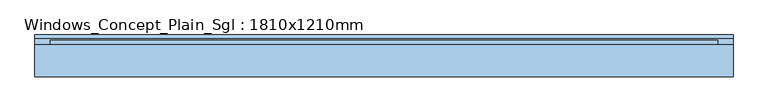
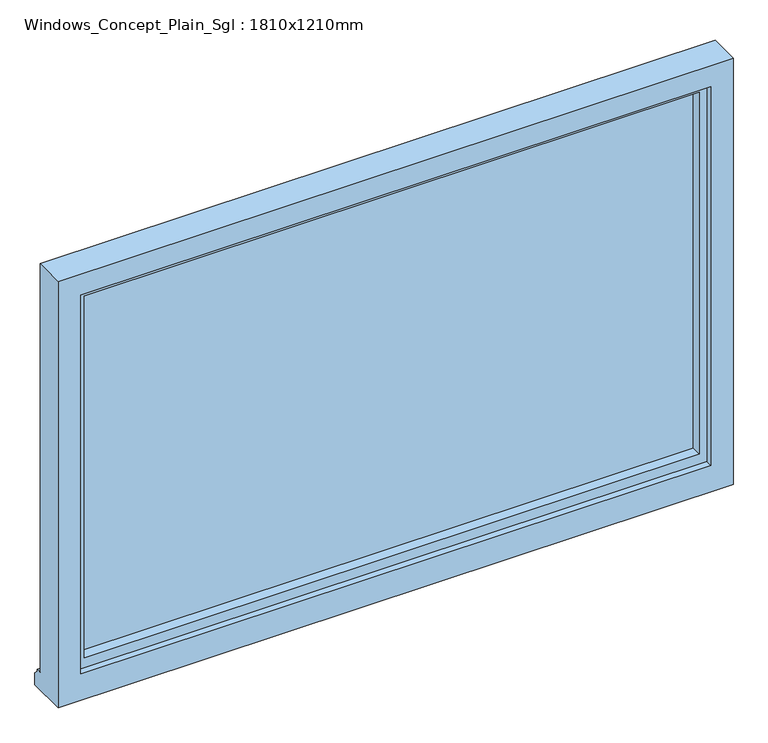
"""IFC4 building model written with IfcOpenShell, lengths in millimetres: window geometry, Windows_Concept_Plain_Sgl : 1810x1210mm."""

from ifc_helpers import new_model, si_unit, frame, origin, place, context, project, spatial, polyline, outline, extrude, faceted_brep, source, transform, mapped, element, save


def windows_concept_plain_sgl_1810x1210mm_8f15967d(model_context):
    return source(origin(), model_context, "Body", "SolidModel", [
        faceted_brep([(-905.0, 87.9565678, 900.0), (905.0, 87.9565678, 900.0), (905.0, 87.9565678, 2110.0), (-905.0, 87.9565678, 2110.0), (-845.0, 87.9565678, 2050.0), (845.0, 87.9565678, 2050.0), (845.0, 87.9565678, 975.0), (-845.0, 87.9565678, 975.0), (-905.0, 170.9565678, 2110.0), (-905.0, 170.9565678, 951.0), (-905.0, 185.9565678, 949.68767), (-905.0, 185.9565678, 944.7449676), (-905.0, 195.9565678, 933.8088847), (-905.0, 195.9565678, 900.0), (905.0, 170.9565678, 2110.0), (905.0, 170.9565678, 951.0), (-865.0, 170.9565678, 2070.0), (-865.0, 170.9565678, 963.0), (865.0, 170.9565678, 963.0), (865.0, 170.9565678, 2070.0), (-865.0, 105.9565678, 2070.0), (-865.0, 105.9565678, 963.0), (865.0, 105.9565678, 2070.0), (865.0, 105.9565678, 963.0), (-845.0, 105.9565678, 2050.0), (-845.0, 105.9565678, 975.0), (845.0, 105.9565678, 975.0), (845.0, 105.9565678, 2050.0), (905.0, 195.9565678, 900.0), (905.0, 195.9565678, 933.8088847), (905.0, 185.9565678, 944.7449676), (905.0, 185.9565678, 949.68767)], [[[0, 1, 2, 3], [4, 5, 6, 7]], [[0, 3, 8, 9, 10, 11, 12, 13]], [[9, 8, 14, 15], [16, 17, 18, 19]], [[17, 16, 20, 21]], [[20, 22, 23, 21], [24, 25, 26, 27]], [[24, 4, 7, 25]], [[3, 2, 14, 8]], [[16, 19, 22, 20]], [[5, 4, 24, 27]], [[15, 14, 2, 1, 28, 29, 30, 31]], [[19, 18, 23, 22]], [[5, 27, 26, 6]], [[28, 1, 0, 13]], [[29, 28, 13, 12]], [[30, 29, 12, 11]], [[31, 30, 11, 10]], [[15, 31, 10, 9]], [[21, 23, 18, 17]], [[7, 6, 26, 25]]]),
        extrude(outline(polyline([(835.0, 134.9565678), (-835.0, 134.9565678), (-835.0, 158.9565678), (835.0, 158.9565678), (835.0, 134.9565678)])), frame((0.0, 0.0, 993.0), z_axis=(0.0, 0.0, 1.0), x_axis=(1.0, 0.0, 0.0)), (0.0, 0.0, 1.0), 1047.0),
        faceted_brep([(-865.0, 105.9565678, 2070.0), (-865.0, 182.5035732, 2070.0), (-865.0, 182.5035732, 963.0), (-865.0, 105.9565678, 963.0), (-825.0, 134.9565678, 2030.0), (-825.0, 105.9565678, 2030.0), (-825.0, 105.9565678, 1003.0), (-825.0, 134.9565678, 1003.0), (-835.0, 158.9565678, 2040.0), (-835.0, 134.9565678, 2040.0), (-835.0, 134.9565678, 993.0), (-835.0, 158.9565678, 993.0), (-825.0, 182.5035732, 2030.0), (-825.0, 158.9565678, 2030.0), (-825.0, 158.9565678, 1003.0), (-825.0, 182.5035732, 1003.0), (865.0, 182.5035732, 963.0), (865.0, 105.9565678, 963.0), (825.0, 105.9565678, 1003.0), (825.0, 134.9565678, 1003.0), (835.0, 134.9565678, 993.0), (835.0, 158.9565678, 993.0), (825.0, 158.9565678, 1003.0), (825.0, 182.5035732, 1003.0), (865.0, 182.5035732, 2070.0), (865.0, 105.9565678, 2070.0), (825.0, 105.9565678, 2030.0), (825.0, 134.9565678, 2030.0), (835.0, 134.9565678, 2040.0), (835.0, 158.9565678, 2040.0), (825.0, 158.9565678, 2030.0), (825.0, 182.5035732, 2030.0)], [[[0, 1, 2, 3]], [[4, 5, 6, 7]], [[8, 9, 10, 11]], [[12, 13, 14, 15]], [[3, 2, 16, 17]], [[7, 6, 18, 19]], [[11, 10, 20, 21]], [[15, 14, 22, 23]], [[17, 16, 24, 25]], [[19, 18, 26, 27]], [[21, 20, 28, 29]], [[23, 22, 30, 31]], [[1, 24, 16, 2], [15, 23, 31, 12]], [[25, 24, 1, 0]], [[3, 17, 25, 0], [5, 26, 18, 6]], [[27, 26, 5, 4]], [[9, 28, 20, 10], [7, 19, 27, 4]], [[29, 28, 9, 8]], [[11, 21, 29, 8], [13, 30, 22, 14]], [[31, 30, 13, 12]]]),
    ])


if __name__ == "__main__":
    model = new_model("IFC4")
    model_context = context("Model", 3, world=origin())
    ifc_project = project(units=[si_unit("LENGTHUNIT", "METRE", prefix="MILLI")], contexts=[model_context])
    site = spatial("IfcSite", under=ifc_project)
    building = spatial("IfcBuilding", under=site)
    placement = place(None, origin())
    windows_concept_plain_sgl_1810x1210mm_shape = windows_concept_plain_sgl_1810x1210mm_8f15967d(model_context)
    element("IfcWindow", 1, ObjectType="Windows_Concept_Plain_Sgl : 1810x1210mm", at=placement, inside=building, context=model_context, shape_type="MappedRepresentation", body=[
        mapped(windows_concept_plain_sgl_1810x1210mm_shape, transform((0.0, 0.0, 0.0), x_axis=(1.0, 0.0, 0.0), y_axis=(0.0, 1.0, 0.0), z_axis=(0.0, 0.0, 1.0))),
    ])
    save(model, "model.ifc")
